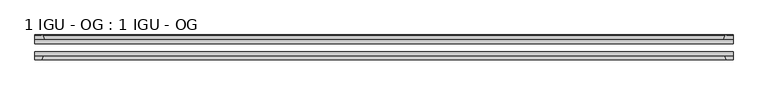
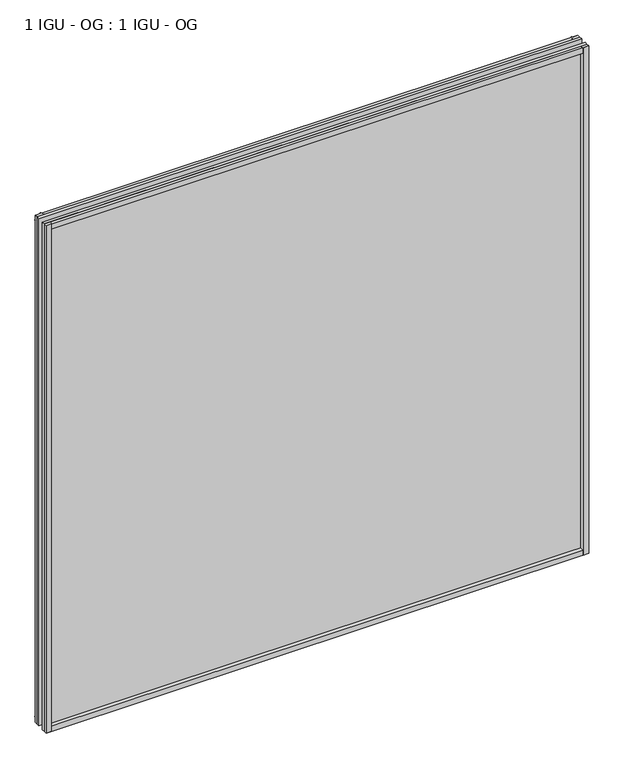
"""IFC4 building model written with IfcOpenShell, lengths in millimetres: plate geometry, 1 IGU - OG : 1 IGU - OG."""

from ifc_helpers import new_model, si_unit, point, frame, frame_2d, origin, place, context, project, spatial, polyline, circle_curve, trimmed, segment, composite_curve, outline, extrude, source, transform, mapped, element, save


def plate_1_igu_og_1_igu_og_54791621(model_context):
    return source(origin(), model_context, "Body", "SweptSolid", [
        extrude(outline(polyline([(538.1625, -31.75), (538.1625, -38.1), (-576.2625, -38.1), (-576.2625, -31.75), (538.1625, -31.75)])), frame((0.0, 0.0, -11.1125), z_axis=(0.0, 0.0, 1.0), x_axis=(1.0, 0.0, 0.0)), (0.0, 0.0, 1.0), 1101.7245636),
        extrude(outline(polyline([(-576.2625, -12.7), (538.1625, -12.7), (538.1625, -19.05), (-576.2625, -19.05), (-576.2625, -12.7)])), frame((0.0, 0.0, -11.1125), z_axis=(0.0, 0.0, 1.0), x_axis=(1.0, 0.0, 0.0)), (0.0, 0.0, 1.0), 1101.7245636),
        extrude(outline(composite_curve([segment(polyline([(-560.9267091, -12.7), (-576.2625, -12.7), (-576.2625, -6.35), (-565.15, -6.35), (-565.15, -4.7751661), (-564.220586, -4.7751661)]), True, "CONTINUOUS"), segment(trimmed(circle_curve(frame_2d((-564.220586, -5.5371661)), 0.762), [point((-564.220586, -4.7751661))], [point((-563.4783761, -5.364631))], False, "CARTESIAN"), True, "CONTINUOUS"), segment(trimmed(circle_curve(frame_2d((-527.8491579, 2.9177851)), 36.5792237), [point((-563.4783761, -5.364631))], [point((-560.9267091, -12.7))], True, "CARTESIAN"), True, "CONTINUOUS")], self_intersect=False)), frame((0.0, 0.0, -11.1125), z_axis=(0.0, 0.0, 1.0), x_axis=(1.0, 0.0, 0.0)), (0.0, 0.0, 1.0), 1101.7245636),
        extrude(outline(polyline([(-576.2625, -38.1), (-563.0447229, -38.1), (-565.15, -44.45), (-576.2625, -44.45), (-576.2625, -38.1)])), frame((0.0, 0.0, -11.1125), z_axis=(0.0, 0.0, 1.0), x_axis=(1.0, 0.0, 0.0)), (0.0, 0.0, 1.0), 1101.7245636),
        extrude(outline(composite_curve([segment(trimmed(circle_curve(frame_2d((526.120586, -5.5371661)), 0.762), [point((525.3783761, -5.364631))], [point((526.120586, -4.7751661))], False, "CARTESIAN"), True, "CONTINUOUS"), segment(polyline([(526.120586, -4.7751661), (527.05, -4.7751661), (527.05, -6.35), (538.1625, -6.35), (538.1625, -12.7), (522.8267091, -12.7)]), True, "CONTINUOUS"), segment(trimmed(circle_curve(frame_2d((489.7491579, 2.9177851)), 36.5792237), [point((522.8267091, -12.7))], [point((525.3783761, -5.364631))], True, "CARTESIAN"), True, "CONTINUOUS")], self_intersect=False)), frame((0.0, 0.0, -11.1125), z_axis=(0.0, 0.0, 1.0), x_axis=(1.0, 0.0, 0.0)), (0.0, 0.0, 1.0), 1101.7245636),
        extrude(outline(polyline([(524.9447229, -38.1), (538.1625, -38.1), (538.1625, -44.45), (527.05, -44.45), (524.9447229, -38.1)])), frame((0.0, 0.0, -11.1125), z_axis=(0.0, 0.0, 1.0), x_axis=(1.0, 0.0, 0.0)), (0.0, 0.0, 1.0), 1101.7245636),
        extrude(outline(composite_curve([segment(polyline([(-12.7, -11.1125), (-12.7, 4.2232909)]), True, "CONTINUOUS"), segment(trimmed(circle_curve(frame_2d((2.9177851, 37.3008421)), 36.5792237), [point((-12.7, 4.2232909))], [point((-5.364631, 1.6716239))], True, "CARTESIAN"), True, "CONTINUOUS"), segment(trimmed(circle_curve(frame_2d((-5.5371661, 0.929414)), 0.762), [point((-5.364631, 1.6716239))], [point((-4.7751661, 0.929414))], False, "CARTESIAN"), True, "CONTINUOUS"), segment(polyline([(-4.7751661, 0.929414), (-4.7751661, 0.0), (-6.35, 0.0), (-6.35, -11.1125), (-12.7, -11.1125)]), True, "CONTINUOUS")], self_intersect=False)), frame((-576.2625, 0.0, 0.0), z_axis=(1.0, 0.0, 0.0), x_axis=(0.0, 1.0, 0.0)), (0.0, 0.0, 1.0), 1114.425),
        extrude(outline(polyline([(-38.1, 2.1052771), (-38.1, -11.1125), (-44.45, -11.1125), (-44.45, 0.0), (-38.1, 2.1052771)])), frame((-576.2625, 0.0, 0.0), z_axis=(1.0, 0.0, 0.0), x_axis=(0.0, 1.0, 0.0)), (0.0, 0.0, 1.0), 1114.425),
        extrude(outline(composite_curve([segment(trimmed(circle_curve(frame_2d((2.9177851, 1042.1987214)), 36.5792237), [point((-5.364631, 1077.8279397))], [point((-12.7, 1075.2762727))], True, "CARTESIAN"), True, "CONTINUOUS"), segment(polyline([(-12.7, 1075.2762727), (-12.7, 1090.6120636), (-6.35, 1090.6120636), (-6.35, 1079.4995636), (-4.7751661, 1079.4995636), (-4.7751661, 1078.5701496)]), True, "CONTINUOUS"), segment(trimmed(circle_curve(frame_2d((-5.5371661, 1078.5701496)), 0.762), [point((-4.7751661, 1078.5701496))], [point((-5.364631, 1077.8279397))], False, "CARTESIAN"), True, "CONTINUOUS")], self_intersect=False)), frame((-576.2625, 0.0, 0.0), z_axis=(1.0, 0.0, 0.0), x_axis=(0.0, 1.0, 0.0)), (0.0, 0.0, 1.0), 1114.425),
        extrude(outline(polyline([(-38.1, 1090.6120636), (-38.1, 1077.3942865), (-44.45, 1079.4995636), (-44.45, 1090.6120636), (-38.1, 1090.6120636)])), frame((-576.2625, 0.0, 0.0), z_axis=(1.0, 0.0, 0.0), x_axis=(0.0, 1.0, 0.0)), (0.0, 0.0, 1.0), 1114.425),
    ])


if __name__ == "__main__":
    model = new_model("IFC4")
    model_context = context("Model", 3, world=origin())
    ifc_project = project(units=[si_unit("LENGTHUNIT", "METRE", prefix="MILLI")], contexts=[model_context])
    site = spatial("IfcSite", under=ifc_project)
    building = spatial("IfcBuilding", under=site)
    placement = place(None, origin())
    plate_1_igu_og_1_igu_og_shape = plate_1_igu_og_1_igu_og_54791621(model_context)
    element("IfcPlate", 1, ObjectType="1 IGU - OG : 1 IGU - OG", at=placement, inside=building, context=model_context, shape_type="MappedRepresentation", body=[
        mapped(plate_1_igu_og_1_igu_og_shape, transform((0.0, 0.0, 0.0), x_axis=(1.0, 0.0, 0.0), y_axis=(0.0, 1.0, 0.0), z_axis=(0.0, 0.0, 1.0))),
    ])
    save(model, "model.ifc")
